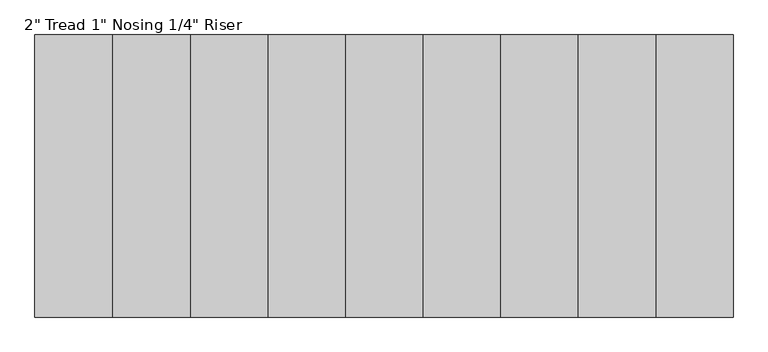
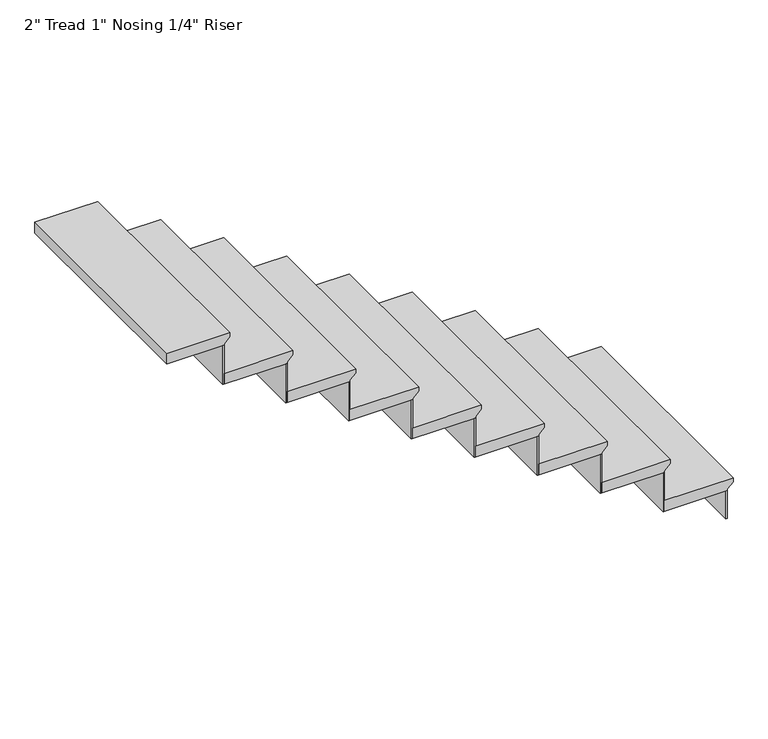
"""IFC4 building model written with IfcOpenShell, lengths in millimetres: stair flight geometry."""

from ifc_helpers import new_model, si_unit, frame, origin, place, context, project, spatial, polyline, outline, extrude, source, transform, mapped, element, save


def stair_flight_53921097(model_context):
    return source(origin(), model_context, "Body", "SweptSolid", [
        extrude(outline(polyline([(3478.7416667, 5276.6029953), (3478.7416667, 4971.8029953), (3427.9416667, 4971.8029953), (3427.9416667, 5251.2029953), (3434.2916667, 5251.2029953), (3459.6916667, 5276.6029953), (3478.7416667, 5276.6029953)])), frame((0.0, 474.8225734, 0.0), z_axis=(0.0, 1.0, 0.0), x_axis=(0.0, 0.0, 1.0)), (0.0, 0.0, 1.0), 1016.0),
        extrude(outline(polyline([(5244.8529953, 1490.8225734), (5251.2029953, 1490.8225734), (5251.2029953, 474.8225734), (5244.8529953, 474.8225734), (5244.8529953, 1490.8225734)])), frame((0.0, 0.0, 3295.65), z_axis=(0.0, 0.0, 1.0), x_axis=(1.0, 0.0, 0.0)), (0.0, 0.0, 1.0), 132.2916667),
        extrude(outline(polyline([(4965.4529953, 1490.8225734), (4971.8029953, 1490.8225734), (4971.8029953, 474.8225734), (4965.4529953, 474.8225734), (4965.4529953, 1490.8225734)])), frame((0.0, 0.0, 3427.9416667), z_axis=(0.0, 0.0, 1.0), x_axis=(1.0, 0.0, 0.0)), (0.0, 0.0, 1.0), 183.0916667),
        extrude(outline(polyline([(3661.8333333, 4997.2029953), (3661.8333333, 4692.4029953), (3611.0333333, 4692.4029953), (3611.0333333, 4971.8029953), (3617.3833333, 4971.8029953), (3642.7833333, 4997.2029953), (3661.8333333, 4997.2029953)])), frame((0.0, 474.8225734, 0.0), z_axis=(0.0, 1.0, 0.0), x_axis=(0.0, 0.0, 1.0)), (0.0, 0.0, 1.0), 1016.0),
        extrude(outline(polyline([(4686.0529953, 1490.8225734), (4692.4029953, 1490.8225734), (4692.4029953, 474.8225734), (4686.0529953, 474.8225734), (4686.0529953, 1490.8225734)])), frame((0.0, 0.0, 3611.0333333), z_axis=(0.0, 0.0, 1.0), x_axis=(1.0, 0.0, 0.0)), (0.0, 0.0, 1.0), 183.0916667),
        extrude(outline(polyline([(3844.925, 4717.8029953), (3844.925, 4413.0029953), (3794.125, 4413.0029953), (3794.125, 4692.4029953), (3800.475, 4692.4029953), (3825.875, 4717.8029953), (3844.925, 4717.8029953)])), frame((0.0, 474.8225734, 0.0), z_axis=(0.0, 1.0, 0.0), x_axis=(0.0, 0.0, 1.0)), (0.0, 0.0, 1.0), 1016.0),
        extrude(outline(polyline([(4406.6529953, 1490.8225734), (4413.0029953, 1490.8225734), (4413.0029953, 474.8225734), (4406.6529953, 474.8225734), (4406.6529953, 1490.8225734)])), frame((0.0, 0.0, 3794.125), z_axis=(0.0, 0.0, 1.0), x_axis=(1.0, 0.0, 0.0)), (0.0, 0.0, 1.0), 183.0916667),
        extrude(outline(polyline([(4028.0166667, 4438.4029953), (4028.0166667, 4133.6029953), (3977.2166667, 4133.6029953), (3977.2166667, 4413.0029953), (3983.5666667, 4413.0029953), (4008.9666667, 4438.4029953), (4028.0166667, 4438.4029953)])), frame((0.0, 474.8225734, 0.0), z_axis=(0.0, 1.0, 0.0), x_axis=(0.0, 0.0, 1.0)), (0.0, 0.0, 1.0), 1016.0),
        extrude(outline(polyline([(4127.2529953, 1490.8225734), (4133.6029953, 1490.8225734), (4133.6029953, 474.8225734), (4127.2529953, 474.8225734), (4127.2529953, 1490.8225734)])), frame((0.0, 0.0, 3977.2166667), z_axis=(0.0, 0.0, 1.0), x_axis=(1.0, 0.0, 0.0)), (0.0, 0.0, 1.0), 183.0916667),
        extrude(outline(polyline([(4211.1083333, 4159.0029953), (4211.1083333, 3854.2029953), (4160.3083333, 3854.2029953), (4160.3083333, 4133.6029953), (4166.6583333, 4133.6029953), (4192.0583333, 4159.0029953), (4211.1083333, 4159.0029953)])), frame((0.0, 474.8225734, 0.0), z_axis=(0.0, 1.0, 0.0), x_axis=(0.0, 0.0, 1.0)), (0.0, 0.0, 1.0), 1016.0),
        extrude(outline(polyline([(3847.8529953, 1490.8225734), (3854.2029953, 1490.8225734), (3854.2029953, 474.8225734), (3847.8529953, 474.8225734), (3847.8529953, 1490.8225734)])), frame((0.0, 0.0, 4160.3083333), z_axis=(0.0, 0.0, 1.0), x_axis=(1.0, 0.0, 0.0)), (0.0, 0.0, 1.0), 183.0916667),
        extrude(outline(polyline([(4394.2, 3879.6029953), (4394.2, 3574.8029953), (4343.4, 3574.8029953), (4343.4, 3854.2029953), (4349.75, 3854.2029953), (4375.15, 3879.6029953), (4394.2, 3879.6029953)])), frame((0.0, 474.8225734, 0.0), z_axis=(0.0, 1.0, 0.0), x_axis=(0.0, 0.0, 1.0)), (0.0, 0.0, 1.0), 1016.0),
        extrude(outline(polyline([(3568.4529953, 1490.8225734), (3574.8029953, 1490.8225734), (3574.8029953, 474.8225734), (3568.4529953, 474.8225734), (3568.4529953, 1490.8225734)])), frame((0.0, 0.0, 4343.4), z_axis=(0.0, 0.0, 1.0), x_axis=(1.0, 0.0, 0.0)), (0.0, 0.0, 1.0), 183.0916667),
        extrude(outline(polyline([(4577.2916667, 3600.2029953), (4577.2916667, 3295.4029953), (4526.4916667, 3295.4029953), (4526.4916667, 3574.8029953), (4532.8416667, 3574.8029953), (4558.2416667, 3600.2029953), (4577.2916667, 3600.2029953)])), frame((0.0, 474.8225734, 0.0), z_axis=(0.0, 1.0, 0.0), x_axis=(0.0, 0.0, 1.0)), (0.0, 0.0, 1.0), 1016.0),
        extrude(outline(polyline([(3289.0529953, 1490.8225734), (3295.4029953, 1490.8225734), (3295.4029953, 474.8225734), (3289.0529953, 474.8225734), (3289.0529953, 1490.8225734)])), frame((0.0, 0.0, 4526.4916667), z_axis=(0.0, 0.0, 1.0), x_axis=(1.0, 0.0, 0.0)), (0.0, 0.0, 1.0), 183.0916667),
        extrude(outline(polyline([(4760.3833333, 3320.8029953), (4760.3833333, 3016.0029953), (4709.5833333, 3016.0029953), (4709.5833333, 3295.4029953), (4715.9333333, 3295.4029953), (4741.3333333, 3320.8029953), (4760.3833333, 3320.8029953)])), frame((0.0, 474.8225734, 0.0), z_axis=(0.0, 1.0, 0.0), x_axis=(0.0, 0.0, 1.0)), (0.0, 0.0, 1.0), 1016.0),
        extrude(outline(polyline([(3009.6529953, 1490.8225734), (3016.0029953, 1490.8225734), (3016.0029953, 474.8225734), (3009.6529953, 474.8225734), (3009.6529953, 1490.8225734)])), frame((0.0, 0.0, 4709.5833333), z_axis=(0.0, 0.0, 1.0), x_axis=(1.0, 0.0, 0.0)), (0.0, 0.0, 1.0), 183.0916667),
        extrude(outline(polyline([(4943.475, 3041.4029953), (4943.475, 2762.0029953), (4892.675, 2762.0029953), (4892.675, 3016.0029953), (4899.025, 3016.0029953), (4924.425, 3041.4029953), (4943.475, 3041.4029953)])), frame((0.0, 474.8225734, 0.0), z_axis=(0.0, 1.0, 0.0), x_axis=(0.0, 0.0, 1.0)), (0.0, 0.0, 1.0), 1016.0),
    ])


if __name__ == "__main__":
    model = new_model("IFC4")
    model_context = context("Model", 3, world=origin())
    ifc_project = project(units=[si_unit("LENGTHUNIT", "METRE", prefix="MILLI")], contexts=[model_context])
    site = spatial("IfcSite", under=ifc_project)
    building = spatial("IfcBuilding", under=site)
    placement = place(None, origin())
    stair_flight_shape = stair_flight_53921097(model_context)
    element("IfcStairFlight", 1, ObjectType="2\" Tread 1\" Nosing 1/4\" Riser", at=placement, inside=building, context=model_context, shape_type="MappedRepresentation", body=[
        mapped(stair_flight_shape, transform((0.0, 0.0, 0.0), x_axis=(1.0, 0.0, 0.0), y_axis=(0.0, 1.0, 0.0), z_axis=(0.0, 0.0, 1.0))),
    ])
    save(model, "model.ifc")
